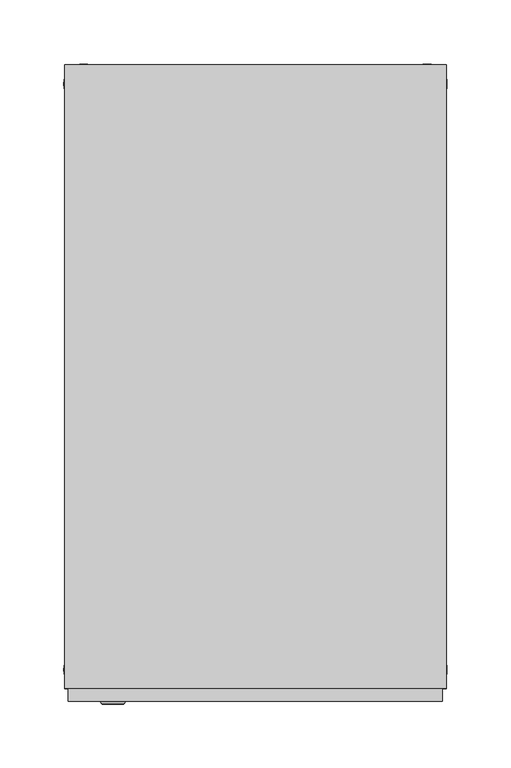
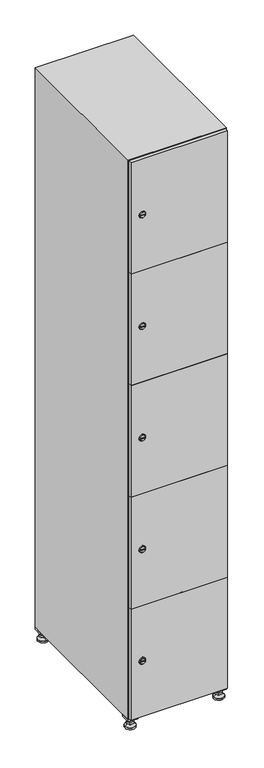
"""IFC4 building model written with IfcOpenShell, lengths in millimetres: furniture geometry."""

from ifc_helpers import new_model, si_unit, point, frame, frame_2d, origin, origin_with_axes, place, context, project, spatial, polyline, circle_curve, trimmed, segment, composite_curve, outline, extrude, faceted_brep, source, transform, mapped, element, save
from ifc_brep_helpers import plane_surface, revolved_surface, advanced_brep


def furniture_758f41c8(model_context):
    return source(origin(), model_context, "Body", "SolidModel", [
        extrude(outline(polyline([(100.0, 245.0), (100.0, 215.0), (70.0, 215.0), (70.0, 245.0), (100.0, 245.0)]), holes=[polyline([(98.0, 243.0), (72.0, 243.0), (72.0, 217.0), (98.0, 217.0), (98.0, 243.0)])]), frame((0.0, 0.0, 28.5), z_axis=(0.0, 0.0, 1.0), x_axis=(1.0, 0.0, 0.0)), (0.0, 0.0, 1.0), 6.5),
        extrude(outline(polyline([(70.0, -245.0), (70.0, -215.0), (100.0, -215.0), (100.0, -245.0), (70.0, -245.0)]), holes=[polyline([(72.0, -243.0), (98.0, -243.0), (98.0, -217.0), (72.0, -217.0), (72.0, -243.0)])]), frame((0.0, 0.0, 28.5), z_axis=(0.0, 0.0, 1.0), x_axis=(1.0, 0.0, 0.0)), (0.0, 0.0, 1.0), 6.5),
        extrude(outline(polyline([(-170.0, 245.0), (-170.0, 215.0), (-200.0, 215.0), (-200.0, 245.0), (-170.0, 245.0)]), holes=[polyline([(-172.0, 243.0), (-198.0, 243.0), (-198.0, 217.0), (-172.0, 217.0), (-172.0, 243.0)])]), frame((0.0, 0.0, 28.5), z_axis=(0.0, 0.0, 1.0), x_axis=(1.0, 0.0, 0.0)), (0.0, 0.0, 1.0), 6.5),
        extrude(outline(polyline([(-170.0, -215.0), (-170.0, -245.0), (-200.0, -245.0), (-200.0, -215.0), (-170.0, -215.0)]), holes=[polyline([(-198.0, -243.0), (-172.0, -243.0), (-172.0, -217.0), (-198.0, -217.0), (-198.0, -243.0)])]), frame((0.0, 0.0, 28.5), z_axis=(0.0, 0.0, 1.0), x_axis=(1.0, 0.0, 0.0)), (0.0, 0.0, 1.0), 6.5),
        extrude(outline(composite_curve([segment(trimmed(circle_curve(frame_2d((-185.0, 230.0)), 5.0), [point((-180.0, 230.0))], [point((-190.0, 230.0))], False, "CARTESIAN"), True, "CONTINUOUS"), segment(trimmed(circle_curve(frame_2d((-185.0, 230.0)), 5.0), [point((-190.0, 230.0))], [point((-180.0, 230.0))], False, "CARTESIAN"), True, "CONTINUOUS")], self_intersect=False)), frame((0.0, 0.0, 19.6), z_axis=(0.0, 0.0, 1.0), x_axis=(1.0, 0.0, 0.0)), (0.0, 0.0, 1.0), 15.4),
        extrude(outline(composite_curve([segment(trimmed(circle_curve(frame_2d((-185.0, -230.0)), 5.0), [point((-180.0, -230.0))], [point((-190.0, -230.0))], False, "CARTESIAN"), True, "CONTINUOUS"), segment(trimmed(circle_curve(frame_2d((-185.0, -230.0)), 5.0), [point((-190.0, -230.0))], [point((-180.0, -230.0))], False, "CARTESIAN"), True, "CONTINUOUS")], self_intersect=False)), frame((0.0, 0.0, 19.6), z_axis=(0.0, 0.0, 1.0), x_axis=(1.0, 0.0, 0.0)), (0.0, 0.0, 1.0), 15.4),
        extrude(outline(composite_curve([segment(trimmed(circle_curve(frame_2d((85.0, 230.0)), 5.0), [point((90.0, 230.0))], [point((80.0, 230.0))], False, "CARTESIAN"), True, "CONTINUOUS"), segment(trimmed(circle_curve(frame_2d((85.0, 230.0)), 5.0), [point((80.0, 230.0))], [point((90.0, 230.0))], False, "CARTESIAN"), True, "CONTINUOUS")], self_intersect=False)), frame((0.0, 0.0, 19.6), z_axis=(0.0, 0.0, 1.0), x_axis=(1.0, 0.0, 0.0)), (0.0, 0.0, 1.0), 15.4),
        extrude(outline(polyline([(73.4529946, 230.0), (79.2264973, 240.0), (90.7735027, 240.0), (96.5470054, 230.0), (90.7735027, 220.0), (79.2264973, 220.0), (73.4529946, 230.0)])), frame((0.0, 0.0, 13.6), z_axis=(0.0, 0.0, 1.0), x_axis=(1.0, 0.0, 0.0)), (0.0, 0.0, 1.0), 6.0),
        extrude(outline(composite_curve([segment(trimmed(circle_curve(frame_2d((85.0, -230.0)), 5.0), [point((90.0, -230.0))], [point((80.0, -230.0))], False, "CARTESIAN"), True, "CONTINUOUS"), segment(trimmed(circle_curve(frame_2d((85.0, -230.0)), 5.0), [point((80.0, -230.0))], [point((90.0, -230.0))], False, "CARTESIAN"), True, "CONTINUOUS")], self_intersect=False)), frame((0.0, 0.0, 19.6), z_axis=(0.0, 0.0, 1.0), x_axis=(1.0, 0.0, 0.0)), (0.0, 0.0, 1.0), 15.4),
        extrude(outline(polyline([(73.4529946, -230.0), (79.2264973, -220.0), (90.7735027, -220.0), (96.5470054, -230.0), (90.7735027, -240.0), (79.2264973, -240.0), (73.4529946, -230.0)])), frame((0.0, 0.0, 13.6), z_axis=(0.0, 0.0, 1.0), x_axis=(1.0, 0.0, 0.0)), (0.0, 0.0, 1.0), 6.0),
        extrude(outline(composite_curve([segment(trimmed(circle_curve(frame_2d((85.0, 230.0)), 5.0), [point((90.0, 230.0))], [point((80.0, 230.0))], False, "CARTESIAN"), True, "CONTINUOUS"), segment(trimmed(circle_curve(frame_2d((85.0, 230.0)), 5.0), [point((80.0, 230.0))], [point((90.0, 230.0))], False, "CARTESIAN"), True, "CONTINUOUS")], self_intersect=False)), frame((0.0, 0.0, 12.1), z_axis=(0.0, 0.0, 1.0), x_axis=(1.0, 0.0, 0.0)), (0.0, 0.0, 1.0), 1.5),
        extrude(outline(composite_curve([segment(trimmed(circle_curve(frame_2d((85.0, -230.0)), 5.0), [point((90.0, -230.0))], [point((80.0, -230.0))], False, "CARTESIAN"), True, "CONTINUOUS"), segment(trimmed(circle_curve(frame_2d((85.0, -230.0)), 5.0), [point((80.0, -230.0))], [point((90.0, -230.0))], False, "CARTESIAN"), True, "CONTINUOUS")], self_intersect=False)), frame((0.0, 0.0, 12.1), z_axis=(0.0, 0.0, 1.0), x_axis=(1.0, 0.0, 0.0)), (0.0, 0.0, 1.0), 1.5),
        extrude(outline(polyline([(-196.5470054, 230.0), (-190.7735027, 240.0), (-179.2264973, 240.0), (-173.4529946, 230.0), (-179.2264973, 220.0), (-190.7735027, 220.0), (-196.5470054, 230.0)])), frame((0.0, 0.0, 13.6), z_axis=(0.0, 0.0, 1.0), x_axis=(1.0, 0.0, 0.0)), (0.0, 0.0, 1.0), 6.0),
        extrude(outline(polyline([(-196.5470054, -230.0), (-190.7735027, -220.0), (-179.2264973, -220.0), (-173.4529946, -230.0), (-179.2264973, -240.0), (-190.7735027, -240.0), (-196.5470054, -230.0)])), frame((0.0, 0.0, 13.6), z_axis=(0.0, 0.0, 1.0), x_axis=(1.0, 0.0, 0.0)), (0.0, 0.0, 1.0), 6.0),
        extrude(outline(composite_curve([segment(trimmed(circle_curve(frame_2d((-185.0, 230.0)), 5.0), [point((-185.0, 235.0))], [point((-185.0, 225.0))], False, "CARTESIAN"), True, "CONTINUOUS"), segment(trimmed(circle_curve(frame_2d((-185.0, 230.0)), 5.0), [point((-185.0, 225.0))], [point((-185.0, 235.0))], False, "CARTESIAN"), True, "CONTINUOUS")], self_intersect=False)), frame((0.0, 0.0, 12.1), z_axis=(0.0, 0.0, 1.0), x_axis=(1.0, 0.0, 0.0)), (0.0, 0.0, 1.0), 1.5),
        extrude(outline(composite_curve([segment(trimmed(circle_curve(frame_2d((-185.0, -230.0)), 5.0), [point((-180.0, -230.0))], [point((-190.0, -230.0))], False, "CARTESIAN"), True, "CONTINUOUS"), segment(trimmed(circle_curve(frame_2d((-185.0, -230.0)), 5.0), [point((-190.0, -230.0))], [point((-180.0, -230.0))], False, "CARTESIAN"), True, "CONTINUOUS")], self_intersect=False)), frame((0.0, 0.0, 12.1), z_axis=(0.0, 0.0, 1.0), x_axis=(1.0, 0.0, 0.0)), (0.0, 0.0, 1.0), 1.5),
        extrude(outline(composite_curve([segment(trimmed(circle_curve(frame_2d((85.0, 230.0)), 15.75), [point((100.75, 230.0))], [point((69.25, 230.0))], False, "CARTESIAN"), True, "CONTINUOUS"), segment(trimmed(circle_curve(frame_2d((85.0, 230.0)), 15.75), [point((69.25, 230.0))], [point((100.75, 230.0))], False, "CARTESIAN"), True, "CONTINUOUS")], self_intersect=False)), origin_with_axes(), (0.0, 0.0, 1.0), 5.1),
        extrude(outline(composite_curve([segment(trimmed(circle_curve(frame_2d((85.0, -230.0)), 15.75), [point((85.0, -214.25))], [point((85.0, -245.75))], False, "CARTESIAN"), True, "CONTINUOUS"), segment(trimmed(circle_curve(frame_2d((85.0, -230.0)), 15.75), [point((85.0, -245.75))], [point((85.0, -214.25))], False, "CARTESIAN"), True, "CONTINUOUS")], self_intersect=False)), origin_with_axes(), (0.0, 0.0, 1.0), 5.1),
        extrude(outline(composite_curve([segment(trimmed(circle_curve(frame_2d((-185.0, -230.0)), 15.75), [point((-169.25, -230.0))], [point((-200.75, -230.0))], False, "CARTESIAN"), True, "CONTINUOUS"), segment(trimmed(circle_curve(frame_2d((-185.0, -230.0)), 15.75), [point((-200.75, -230.0))], [point((-169.25, -230.0))], False, "CARTESIAN"), True, "CONTINUOUS")], self_intersect=False)), origin_with_axes(), (0.0, 0.0, 1.0), 5.1),
        extrude(outline(composite_curve([segment(trimmed(circle_curve(frame_2d((-185.0, 230.0)), 15.75), [point((-169.25, 230.0))], [point((-200.75, 230.0))], False, "CARTESIAN"), True, "CONTINUOUS"), segment(trimmed(circle_curve(frame_2d((-185.0, 230.0)), 15.75), [point((-200.75, 230.0))], [point((-169.25, 230.0))], False, "CARTESIAN"), True, "CONTINUOUS")], self_intersect=False)), origin_with_axes(), (0.0, 0.0, 1.0), 5.1),
        advanced_brep(
        [(-185.0, 239.5, 12.1), (-185.0, 220.5, 12.1), (-185.0, 214.25, 5.1), (-185.0, 245.75, 5.1)],
        [
            (0, 1, circle_curve(frame((-185.0, 230.0, 12.1), z_axis=(0.0, 0.0, -1.0), x_axis=(0.0, 1.0, 0.0)), 9.5)),
            (1, 2),
            (2, 3, circle_curve(frame((-185.0, 230.0, 5.1), z_axis=(0.0, 0.0, 1.0), x_axis=(0.0, 1.0, 0.0)), 15.75)),
            (3, 0),
            (1, 0, circle_curve(frame((-185.0, 230.0, 12.1), z_axis=(0.0, 0.0, -1.0), x_axis=(0.0, -1.0, 0.0)), 9.5)),
            (3, 2, circle_curve(frame((-185.0, 230.0, 5.1), z_axis=(0.0, 0.0, 1.0), x_axis=(0.0, -1.0, 0.0)), 15.75)),
        ],
        [
            revolved_surface(polyline([(-185.0, 220.5, 12.099999999999998), (-185.0, 214.25, 5.099999999999998)]), (-185.0, 230.0, 22.74), (0.0, 0.0, -1.0)),
            revolved_surface(polyline([(-185.0, 239.5, 12.099999999999998), (-185.0, 245.75, 5.099999999999998)]), (-185.0, 230.0, 22.74), (0.0, 0.0, -1.0)),
            plane_surface(frame((-185.0, 230.0, 5.1), z_axis=(0.0, 0.0, -1.0), x_axis=(1.0, 0.0, 0.0))),
            plane_surface(frame((-185.0, 230.0, 12.1), z_axis=(0.0, 0.0, 1.0), x_axis=(1.0, 0.0, 0.0))),
        ],
        [
            (0, [[1, 2, 3, 4]]),
            (1, [[5, -4, 6, -2]]),
            (2, [[-3, -6]]),
            (3, [[-5, -1]]),
        ],
    ),
        advanced_brep(
        [(85.0, 239.5, 12.1), (85.0, 220.5, 12.1), (85.0, 214.25, 5.1), (85.0, 245.75, 5.1)],
        [
            (0, 1, circle_curve(frame((85.0, 230.0, 12.1), z_axis=(0.0, 0.0, -1.0), x_axis=(0.0, 1.0, 0.0)), 9.5)),
            (1, 2),
            (2, 3, circle_curve(frame((85.0, 230.0, 5.1), z_axis=(0.0, 0.0, 1.0), x_axis=(0.0, 1.0, 0.0)), 15.75)),
            (3, 0),
            (1, 0, circle_curve(frame((85.0, 230.0, 12.1), z_axis=(0.0, 0.0, -1.0), x_axis=(0.0, -1.0, 0.0)), 9.5)),
            (3, 2, circle_curve(frame((85.0, 230.0, 5.1), z_axis=(0.0, 0.0, 1.0), x_axis=(0.0, -1.0, 0.0)), 15.75)),
        ],
        [
            revolved_surface(polyline([(85.0, 220.5, 12.099999999999998), (85.0, 214.25, 5.099999999999998)]), (85.0, 230.0, 22.74), (0.0, 0.0, -1.0)),
            revolved_surface(polyline([(85.0, 239.5, 12.099999999999998), (85.0, 245.75, 5.099999999999998)]), (85.0, 230.0, 22.74), (0.0, 0.0, -1.0)),
            plane_surface(frame((85.0, 230.0, 5.1), z_axis=(0.0, 0.0, -1.0), x_axis=(1.0, 0.0, 0.0))),
            plane_surface(frame((85.0, 230.0, 12.1), z_axis=(0.0, 0.0, 1.0), x_axis=(1.0, 0.0, 0.0))),
        ],
        [
            (0, [[1, 2, 3, 4]]),
            (1, [[5, -4, 6, -2]]),
            (2, [[-3, -6]]),
            (3, [[-5, -1]]),
        ],
    ),
        advanced_brep(
        [(100.75, -230.0, 5.1), (69.25, -230.0, 5.1), (75.5, -230.0, 12.1), (94.5, -230.0, 12.1)],
        [
            (0, 1, circle_curve(frame((85.0, -230.0, 5.1), z_axis=(0.0, 0.0, 1.0), x_axis=(1.0, 0.0, 0.0)), 15.75)),
            (1, 2),
            (2, 3, circle_curve(frame((85.0, -230.0, 12.1), z_axis=(0.0, 0.0, -1.0), x_axis=(1.0, 0.0, 0.0)), 9.5)),
            (3, 0),
            (1, 0, circle_curve(frame((85.0, -230.0, 5.1), z_axis=(0.0, 0.0, 1.0), x_axis=(-1.0, 0.0, 0.0)), 15.75)),
            (3, 2, circle_curve(frame((85.0, -230.0, 12.1), z_axis=(0.0, 0.0, -1.0), x_axis=(-1.0, 0.0, 0.0)), 9.5)),
        ],
        [
            revolved_surface(polyline([(94.5, -230.0, 12.099999999999998), (100.75, -230.0, 5.099999999999998)]), (85.0, -230.0, 22.74), (0.0, 0.0, -1.0)),
            revolved_surface(polyline([(75.5, -230.0, 12.099999999999998), (69.25, -230.0, 5.099999999999998)]), (85.0, -230.0, 22.74), (0.0, 0.0, -1.0)),
            plane_surface(frame((85.0, -230.0, 12.1), z_axis=(0.0, 0.0, 1.0), x_axis=(0.0, 1.0, 0.0))),
            plane_surface(frame((85.0, -230.0, 5.1), z_axis=(0.0, 0.0, -1.0), x_axis=(0.0, 1.0, 0.0))),
        ],
        [
            (0, [[1, 2, 3, 4]]),
            (1, [[5, -4, 6, -2]]),
            (2, [[-3, -6]]),
            (3, [[-5, -1]]),
        ],
    ),
        advanced_brep(
        [(-169.25, -230.0, 5.1), (-200.75, -230.0, 5.1), (-194.5, -230.0, 12.1), (-175.5, -230.0, 12.1)],
        [
            (0, 1, circle_curve(frame((-185.0, -230.0, 5.1), z_axis=(0.0, 0.0, 1.0), x_axis=(1.0, 0.0, 0.0)), 15.75)),
            (1, 2),
            (2, 3, circle_curve(frame((-185.0, -230.0, 12.1), z_axis=(0.0, 0.0, -1.0), x_axis=(1.0, 0.0, 0.0)), 9.5)),
            (3, 0),
            (1, 0, circle_curve(frame((-185.0, -230.0, 5.1), z_axis=(0.0, 0.0, 1.0), x_axis=(-1.0, 0.0, 0.0)), 15.75)),
            (3, 2, circle_curve(frame((-185.0, -230.0, 12.1), z_axis=(0.0, 0.0, -1.0), x_axis=(-1.0, 0.0, 0.0)), 9.5)),
        ],
        [
            revolved_surface(polyline([(-175.5, -230.0, 12.099999999999998), (-169.25, -230.0, 5.099999999999998)]), (-185.0, -230.0, 22.74), (0.0, 0.0, -1.0)),
            revolved_surface(polyline([(-194.5, -230.0, 12.099999999999998), (-200.75, -230.0, 5.099999999999998)]), (-185.0, -230.0, 22.74), (0.0, 0.0, -1.0)),
            plane_surface(frame((-185.0, -230.0, 12.1), z_axis=(0.0, 0.0, 1.0), x_axis=(0.0, 1.0, 0.0))),
            plane_surface(frame((-185.0, -230.0, 5.1), z_axis=(0.0, 0.0, -1.0), x_axis=(0.0, 1.0, 0.0))),
        ],
        [
            (0, [[1, 2, 3, 4]]),
            (1, [[5, -4, 6, -2]]),
            (2, [[-3, -6]]),
            (3, [[-5, -1]]),
        ],
    ),
        extrude(outline(composite_curve([segment(trimmed(circle_curve(frame_2d((217.4, -188.7989466)), 7.0), [point((224.4, -188.7989466))], [point((210.4, -188.7989466))], False, "CARTESIAN"), True, "CONTINUOUS"), segment(polyline([(210.4, -188.7989466), (210.4, -160.7989466)]), True, "CONTINUOUS"), segment(trimmed(circle_curve(frame_2d((217.4, -160.7989466)), 7.0), [point((210.4, -160.7989466))], [point((224.4, -160.7989466))], False, "CARTESIAN"), True, "CONTINUOUS"), segment(polyline([(224.4, -160.7989466), (224.4, -188.7989466)]), True, "CONTINUOUS")], self_intersect=False)), frame((0.0, -245.0, 0.0), z_axis=(0.0, 1.0, 0.0), x_axis=(0.0, 0.0, 1.0)), (0.0, 0.0, 1.0), 2.0),
        advanced_brep(
        [(-153.5, -257.2, 217.4), (-170.5, -257.2, 217.4), (-167.0, -257.2, 216.15), (-167.0, -257.2, 218.65), (-157.0, -257.2, 218.65), (-157.0, -257.2, 216.15), (-151.5, -255.0, 217.4), (-172.5, -255.0, 217.4), (-167.0, -255.0, 218.65), (-167.0, -255.0, 216.15), (-157.0, -255.0, 216.15), (-157.0, -255.0, 218.65)],
        [
            (0, 1, circle_curve(frame((-162.0, -257.2, 217.4), z_axis=(0.0, -1.0, 0.0), x_axis=(1.0, 0.0, 0.0)), 8.5)),
            (1, 0, circle_curve(frame((-162.0, -257.2, 217.4), z_axis=(0.0, -1.0, 0.0), x_axis=(-1.0, 0.0, 0.0)), 8.5)),
            (2, 3),
            (3, 4),
            (4, 5),
            (5, 2),
            (6, 7, circle_curve(frame((-162.0, -255.0, 217.4), z_axis=(0.0, 1.0, 0.0), x_axis=(-1.0, 0.0, 0.0)), 10.5)),
            (7, 6, circle_curve(frame((-162.0, -255.0, 217.4), z_axis=(0.0, 1.0, 0.0), x_axis=(1.0, 0.0, 0.0)), 10.5)),
            (8, 9),
            (9, 10),
            (10, 11),
            (11, 8),
            (0, 6),
            (7, 1),
            (8, 3),
            (2, 9),
            (11, 4),
            (10, 5),
        ],
        [
            plane_surface(frame((-162.0, -257.2, 217.4), z_axis=(0.0, -1.0, 0.0), x_axis=(0.0, 0.0, 1.0))),
            plane_surface(frame((-162.0, -255.0, 217.4), z_axis=(0.0, 1.0, 0.0), x_axis=(0.0, 0.0, 1.0))),
            revolved_surface(polyline([(-153.5, -257.2, 217.4), (-151.5, -255.0, 217.4)]), (-162.0, -266.55, 217.4), (0.0, 1.0, 0.0)),
            revolved_surface(polyline([(-170.5, -257.2, 217.4), (-172.5, -255.0, 217.4)]), (-162.0, -266.55, 217.4), (0.0, 1.0, 0.0)),
            plane_surface(frame((-167.0, -255.0, 216.15), z_axis=(1.0, 0.0, 0.0), x_axis=(0.0, -1.0, 0.0))),
            plane_surface(frame((-167.0, -255.0, 218.65), z_axis=(0.0, 0.0, -1.0), x_axis=(0.0, -1.0, 0.0))),
            plane_surface(frame((-157.0, -255.0, 218.65), z_axis=(-1.0, 0.0, 0.0), x_axis=(0.0, -1.0, 0.0))),
            plane_surface(frame((-157.0, -255.0, 216.15), z_axis=(0.0, 0.0, 1.0), x_axis=(0.0, -1.0, 0.0))),
        ],
        [
            (0, [[1, 2], [3, 4, 5, 6]]),
            (1, [[7, 8], [9, 10, 11, 12]]),
            (2, [[-1, 13, -8, 14]]),
            (3, [[-2, -14, -7, -13]]),
            (4, [[15, -3, 16, -9]]),
            (5, [[-15, -12, 17, -4]]),
            (6, [[-17, -11, 18, -5]]),
            (7, [[-16, -6, -18, -10]]),
        ],
    ),
        extrude(outline(composite_curve([segment(trimmed(circle_curve(frame_2d((576.2, -188.7989466)), 7.0), [point((583.2, -188.7989466))], [point((569.2, -188.7989466))], False, "CARTESIAN"), True, "CONTINUOUS"), segment(polyline([(569.2, -188.7989466), (569.2, -160.7989466)]), True, "CONTINUOUS"), segment(trimmed(circle_curve(frame_2d((576.2, -160.7989466)), 7.0), [point((569.2, -160.7989466))], [point((583.2, -160.7989466))], False, "CARTESIAN"), True, "CONTINUOUS"), segment(polyline([(583.2, -160.7989466), (583.2, -188.7989466)]), True, "CONTINUOUS")], self_intersect=False)), frame((0.0, -245.0, 0.0), z_axis=(0.0, 1.0, 0.0), x_axis=(0.0, 0.0, 1.0)), (0.0, 0.0, 1.0), 2.0),
        advanced_brep(
        [(-153.5, -257.2, 576.2), (-170.5, -257.2, 576.2), (-167.0, -257.2, 574.95), (-167.0, -257.2, 577.45), (-157.0, -257.2, 577.45), (-157.0, -257.2, 574.95), (-151.5, -255.0, 576.2), (-172.5, -255.0, 576.2), (-167.0, -255.0, 577.45), (-167.0, -255.0, 574.95), (-157.0, -255.0, 574.95), (-157.0, -255.0, 577.45)],
        [
            (0, 1, circle_curve(frame((-162.0, -257.2, 576.2), z_axis=(0.0, -1.0, 0.0), x_axis=(1.0, 0.0, 0.0)), 8.5)),
            (1, 0, circle_curve(frame((-162.0, -257.2, 576.2), z_axis=(0.0, -1.0, 0.0), x_axis=(-1.0, 0.0, 0.0)), 8.5)),
            (2, 3),
            (3, 4),
            (4, 5),
            (5, 2),
            (6, 7, circle_curve(frame((-162.0, -255.0, 576.2), z_axis=(0.0, 1.0, 0.0), x_axis=(-1.0, 0.0, 0.0)), 10.5)),
            (7, 6, circle_curve(frame((-162.0, -255.0, 576.2), z_axis=(0.0, 1.0, 0.0), x_axis=(1.0, 0.0, 0.0)), 10.5)),
            (8, 9),
            (9, 10),
            (10, 11),
            (11, 8),
            (0, 6),
            (7, 1),
            (8, 3),
            (2, 9),
            (11, 4),
            (10, 5),
        ],
        [
            plane_surface(frame((-162.0, -257.2, 576.2), z_axis=(0.0, -1.0, 0.0), x_axis=(0.0, 0.0, 1.0))),
            plane_surface(frame((-162.0, -255.0, 576.2), z_axis=(0.0, 1.0, 0.0), x_axis=(0.0, 0.0, 1.0))),
            revolved_surface(polyline([(-153.5, -257.2, 576.2), (-151.5, -255.0, 576.2)]), (-162.0, -266.55, 576.2), (0.0, 1.0, 0.0)),
            revolved_surface(polyline([(-170.5, -257.2, 576.2), (-172.5, -255.0, 576.2)]), (-162.0, -266.55, 576.2), (0.0, 1.0, 0.0)),
            plane_surface(frame((-167.0, -255.0, 574.95), z_axis=(1.0, 0.0, 0.0), x_axis=(0.0, -1.0, 0.0))),
            plane_surface(frame((-167.0, -255.0, 577.45), z_axis=(0.0, 0.0, -1.0), x_axis=(0.0, -1.0, 0.0))),
            plane_surface(frame((-157.0, -255.0, 577.45), z_axis=(-1.0, 0.0, 0.0), x_axis=(0.0, -1.0, 0.0))),
            plane_surface(frame((-157.0, -255.0, 574.95), z_axis=(0.0, 0.0, 1.0), x_axis=(0.0, -1.0, 0.0))),
        ],
        [
            (0, [[1, 2], [3, 4, 5, 6]]),
            (1, [[7, 8], [9, 10, 11, 12]]),
            (2, [[-1, 13, -8, 14]]),
            (3, [[-2, -14, -7, -13]]),
            (4, [[15, -3, 16, -9]]),
            (5, [[-15, -12, 17, -4]]),
            (6, [[-17, -11, 18, -5]]),
            (7, [[-16, -6, -18, -10]]),
        ],
    ),
        extrude(outline(composite_curve([segment(trimmed(circle_curve(frame_2d((935.0, -188.7989466)), 7.0), [point((942.0, -188.7989466))], [point((928.0, -188.7989466))], False, "CARTESIAN"), True, "CONTINUOUS"), segment(polyline([(928.0, -188.7989466), (928.0, -160.7989466)]), True, "CONTINUOUS"), segment(trimmed(circle_curve(frame_2d((935.0, -160.7989466)), 7.0), [point((928.0, -160.7989466))], [point((942.0, -160.7989466))], False, "CARTESIAN"), True, "CONTINUOUS"), segment(polyline([(942.0, -160.7989466), (942.0, -188.7989466)]), True, "CONTINUOUS")], self_intersect=False)), frame((0.0, -245.0, 0.0), z_axis=(0.0, 1.0, 0.0), x_axis=(0.0, 0.0, 1.0)), (0.0, 0.0, 1.0), 2.0),
        advanced_brep(
        [(-153.5, -257.2, 935.0), (-170.5, -257.2, 935.0), (-167.0, -257.2, 933.75), (-167.0, -257.2, 936.25), (-157.0, -257.2, 936.25), (-157.0, -257.2, 933.75), (-151.5, -255.0, 935.0), (-172.5, -255.0, 935.0), (-167.0, -255.0, 936.25), (-167.0, -255.0, 933.75), (-157.0, -255.0, 933.75), (-157.0, -255.0, 936.25)],
        [
            (0, 1, circle_curve(frame((-162.0, -257.2, 935.0), z_axis=(0.0, -1.0, 0.0), x_axis=(1.0, 0.0, 0.0)), 8.5)),
            (1, 0, circle_curve(frame((-162.0, -257.2, 935.0), z_axis=(0.0, -1.0, 0.0), x_axis=(-1.0, 0.0, 0.0)), 8.5)),
            (2, 3),
            (3, 4),
            (4, 5),
            (5, 2),
            (6, 7, circle_curve(frame((-162.0, -255.0, 935.0), z_axis=(0.0, 1.0, 0.0), x_axis=(-1.0, 0.0, 0.0)), 10.5)),
            (7, 6, circle_curve(frame((-162.0, -255.0, 935.0), z_axis=(0.0, 1.0, 0.0), x_axis=(1.0, 0.0, 0.0)), 10.5)),
            (8, 9),
            (9, 10),
            (10, 11),
            (11, 8),
            (0, 6),
            (7, 1),
            (8, 3),
            (2, 9),
            (11, 4),
            (10, 5),
        ],
        [
            plane_surface(frame((-162.0, -257.2, 935.0), z_axis=(0.0, -1.0, 0.0), x_axis=(0.0, 0.0, 1.0))),
            plane_surface(frame((-162.0, -255.0, 935.0), z_axis=(0.0, 1.0, 0.0), x_axis=(0.0, 0.0, 1.0))),
            revolved_surface(polyline([(-153.5, -257.2, 935.0), (-151.5, -255.0, 935.0)]), (-162.0, -266.55, 935.0), (0.0, 1.0, 0.0)),
            revolved_surface(polyline([(-170.5, -257.2, 935.0), (-172.5, -255.0, 935.0)]), (-162.0, -266.55, 935.0), (0.0, 1.0, 0.0)),
            plane_surface(frame((-167.0, -255.0, 933.75), z_axis=(1.0, 0.0, 0.0), x_axis=(0.0, -1.0, 0.0))),
            plane_surface(frame((-167.0, -255.0, 936.25), z_axis=(0.0, 0.0, -1.0), x_axis=(0.0, -1.0, 0.0))),
            plane_surface(frame((-157.0, -255.0, 936.25), z_axis=(-1.0, 0.0, 0.0), x_axis=(0.0, -1.0, 0.0))),
            plane_surface(frame((-157.0, -255.0, 933.75), z_axis=(0.0, 0.0, 1.0), x_axis=(0.0, -1.0, 0.0))),
        ],
        [
            (0, [[1, 2], [3, 4, 5, 6]]),
            (1, [[7, 8], [9, 10, 11, 12]]),
            (2, [[-1, 13, -8, 14]]),
            (3, [[-2, -14, -7, -13]]),
            (4, [[15, -3, 16, -9]]),
            (5, [[-15, -12, 17, -4]]),
            (6, [[-17, -11, 18, -5]]),
            (7, [[-16, -6, -18, -10]]),
        ],
    ),
        extrude(outline(composite_curve([segment(trimmed(circle_curve(frame_2d((1293.8, -188.7989466)), 7.0), [point((1300.8, -188.7989466))], [point((1286.8, -188.7989466))], False, "CARTESIAN"), True, "CONTINUOUS"), segment(polyline([(1286.8, -188.7989466), (1286.8, -160.7989466)]), True, "CONTINUOUS"), segment(trimmed(circle_curve(frame_2d((1293.8, -160.7989466)), 7.0), [point((1286.8, -160.7989466))], [point((1300.8, -160.7989466))], False, "CARTESIAN"), True, "CONTINUOUS"), segment(polyline([(1300.8, -160.7989466), (1300.8, -188.7989466)]), True, "CONTINUOUS")], self_intersect=False)), frame((0.0, -245.0, 0.0), z_axis=(0.0, 1.0, 0.0), x_axis=(0.0, 0.0, 1.0)), (0.0, 0.0, 1.0), 2.0),
        advanced_brep(
        [(-153.5, -257.2, 1293.8), (-170.5, -257.2, 1293.8), (-167.0, -257.2, 1292.55), (-167.0, -257.2, 1295.05), (-157.0, -257.2, 1295.05), (-157.0, -257.2, 1292.55), (-151.5, -255.0, 1293.8), (-172.5, -255.0, 1293.8), (-167.0, -255.0, 1295.05), (-167.0, -255.0, 1292.55), (-157.0, -255.0, 1292.55), (-157.0, -255.0, 1295.05)],
        [
            (0, 1, circle_curve(frame((-162.0, -257.2, 1293.8), z_axis=(0.0, -1.0, 0.0), x_axis=(1.0, 0.0, 0.0)), 8.5)),
            (1, 0, circle_curve(frame((-162.0, -257.2, 1293.8), z_axis=(0.0, -1.0, 0.0), x_axis=(-1.0, 0.0, 0.0)), 8.5)),
            (2, 3),
            (3, 4),
            (4, 5),
            (5, 2),
            (6, 7, circle_curve(frame((-162.0, -255.0, 1293.8), z_axis=(0.0, 1.0, 0.0), x_axis=(-1.0, 0.0, 0.0)), 10.5)),
            (7, 6, circle_curve(frame((-162.0, -255.0, 1293.8), z_axis=(0.0, 1.0, 0.0), x_axis=(1.0, 0.0, 0.0)), 10.5)),
            (8, 9),
            (9, 10),
            (10, 11),
            (11, 8),
            (0, 6),
            (7, 1),
            (8, 3),
            (2, 9),
            (11, 4),
            (10, 5),
        ],
        [
            plane_surface(frame((-162.0, -257.2, 1293.8), z_axis=(0.0, -1.0, 0.0), x_axis=(0.0, 0.0, 1.0))),
            plane_surface(frame((-162.0, -255.0, 1293.8), z_axis=(0.0, 1.0, 0.0), x_axis=(0.0, 0.0, 1.0))),
            revolved_surface(polyline([(-153.5, -257.2, 1293.8), (-151.5, -255.0, 1293.8)]), (-162.0, -266.55, 1293.8), (0.0, 1.0, 0.0)),
            revolved_surface(polyline([(-170.5, -257.2, 1293.8), (-172.5, -255.0, 1293.8)]), (-162.0, -266.55, 1293.8), (0.0, 1.0, 0.0)),
            plane_surface(frame((-167.0, -255.0, 1292.55), z_axis=(1.0, 0.0, 0.0), x_axis=(0.0, -1.0, 0.0))),
            plane_surface(frame((-167.0, -255.0, 1295.05), z_axis=(0.0, 0.0, -1.0), x_axis=(0.0, -1.0, 0.0))),
            plane_surface(frame((-157.0, -255.0, 1295.05), z_axis=(-1.0, 0.0, 0.0), x_axis=(0.0, -1.0, 0.0))),
            plane_surface(frame((-157.0, -255.0, 1292.55), z_axis=(0.0, 0.0, 1.0), x_axis=(0.0, -1.0, 0.0))),
        ],
        [
            (0, [[1, 2], [3, 4, 5, 6]]),
            (1, [[7, 8], [9, 10, 11, 12]]),
            (2, [[-1, 13, -8, 14]]),
            (3, [[-2, -14, -7, -13]]),
            (4, [[15, -3, 16, -9]]),
            (5, [[-15, -12, 17, -4]]),
            (6, [[-17, -11, 18, -5]]),
            (7, [[-16, -6, -18, -10]]),
        ],
    ),
        extrude(outline(composite_curve([segment(trimmed(circle_curve(frame_2d((1652.6, -188.7989466)), 7.0), [point((1659.6, -188.7989466))], [point((1645.6, -188.7989466))], False, "CARTESIAN"), True, "CONTINUOUS"), segment(polyline([(1645.6, -188.7989466), (1645.6, -160.7989466)]), True, "CONTINUOUS"), segment(trimmed(circle_curve(frame_2d((1652.6, -160.7989466)), 7.0), [point((1645.6, -160.7989466))], [point((1659.6, -160.7989466))], False, "CARTESIAN"), True, "CONTINUOUS"), segment(polyline([(1659.6, -160.7989466), (1659.6, -188.7989466)]), True, "CONTINUOUS")], self_intersect=False)), frame((0.0, -245.0, 0.0), z_axis=(0.0, 1.0, 0.0), x_axis=(0.0, 0.0, 1.0)), (0.0, 0.0, 1.0), 2.0),
        advanced_brep(
        [(-153.5, -257.2, 1652.6), (-170.5, -257.2, 1652.6), (-167.0, -257.2, 1651.35), (-167.0, -257.2, 1653.85), (-157.0, -257.2, 1653.85), (-157.0, -257.2, 1651.35), (-151.5, -255.0, 1652.6), (-172.5, -255.0, 1652.6), (-167.0, -255.0, 1653.85), (-167.0, -255.0, 1651.35), (-157.0, -255.0, 1651.35), (-157.0, -255.0, 1653.85)],
        [
            (0, 1, circle_curve(frame((-162.0, -257.2, 1652.6), z_axis=(0.0, -1.0, 0.0), x_axis=(1.0, 0.0, 0.0)), 8.5)),
            (1, 0, circle_curve(frame((-162.0, -257.2, 1652.6), z_axis=(0.0, -1.0, 0.0), x_axis=(-1.0, 0.0, 0.0)), 8.5)),
            (2, 3),
            (3, 4),
            (4, 5),
            (5, 2),
            (6, 7, circle_curve(frame((-162.0, -255.0, 1652.6), z_axis=(0.0, 1.0, 0.0), x_axis=(-1.0, 0.0, 0.0)), 10.5)),
            (7, 6, circle_curve(frame((-162.0, -255.0, 1652.6), z_axis=(0.0, 1.0, 0.0), x_axis=(1.0, 0.0, 0.0)), 10.5)),
            (8, 9),
            (9, 10),
            (10, 11),
            (11, 8),
            (0, 6),
            (7, 1),
            (8, 3),
            (2, 9),
            (11, 4),
            (10, 5),
        ],
        [
            plane_surface(frame((-162.0, -257.2, 1652.6), z_axis=(0.0, -1.0, 0.0), x_axis=(0.0, 0.0, 1.0))),
            plane_surface(frame((-162.0, -255.0, 1652.6), z_axis=(0.0, 1.0, 0.0), x_axis=(0.0, 0.0, 1.0))),
            revolved_surface(polyline([(-153.5, -257.2, 1652.6), (-151.5, -255.0, 1652.6)]), (-162.0, -266.55, 1652.6), (0.0, 1.0, 0.0)),
            revolved_surface(polyline([(-170.5, -257.2, 1652.6), (-172.5, -255.0, 1652.6)]), (-162.0, -266.55, 1652.6), (0.0, 1.0, 0.0)),
            plane_surface(frame((-167.0, -255.0, 1651.35), z_axis=(1.0, 0.0, 0.0), x_axis=(0.0, -1.0, 0.0))),
            plane_surface(frame((-167.0, -255.0, 1653.85), z_axis=(0.0, 0.0, -1.0), x_axis=(0.0, -1.0, 0.0))),
            plane_surface(frame((-157.0, -255.0, 1653.85), z_axis=(-1.0, 0.0, 0.0), x_axis=(0.0, -1.0, 0.0))),
            plane_surface(frame((-157.0, -255.0, 1651.35), z_axis=(0.0, 0.0, 1.0), x_axis=(0.0, -1.0, 0.0))),
        ],
        [
            (0, [[1, 2], [3, 4, 5, 6]]),
            (1, [[7, 8], [9, 10, 11, 12]]),
            (2, [[-1, 13, -8, 14]]),
            (3, [[-2, -14, -7, -13]]),
            (4, [[15, -3, 16, -9]]),
            (5, [[-15, -12, 17, -4]]),
            (6, [[-17, -11, 18, -5]]),
            (7, [[-16, -6, -18, -10]]),
        ],
    ),
        extrude(outline(polyline([(97.0, -245.0), (97.0, -255.0), (-197.0, -255.0), (-197.0, -245.0), (97.0, -245.0)])), frame((0.0, 0.0, 755.1), z_axis=(0.0, 0.0, 1.0), x_axis=(1.0, 0.0, 0.0)), (0.0, 0.0, 1.0), 359.8),
        extrude(outline(polyline([(97.0, -245.0), (97.0, -255.0), (-197.0, -255.0), (-197.0, -245.0), (97.0, -245.0)])), frame((0.0, 0.0, 396.3), z_axis=(0.0, 0.0, 1.0), x_axis=(1.0, 0.0, 0.0)), (0.0, 0.0, 1.0), 359.8),
        extrude(outline(polyline([(97.0, -245.0), (97.0, -255.0), (-197.0, -255.0), (-197.0, -245.0), (97.0, -245.0)])), frame((0.0, 0.0, 1113.9), z_axis=(0.0, 0.0, 1.0), x_axis=(1.0, 0.0, 0.0)), (0.0, 0.0, 1.0), 358.8),
        extrude(outline(polyline([(-197.0, -255.0), (-197.0, -245.0), (97.0, -245.0), (97.0, -255.0), (-197.0, -255.0)])), frame((0.0, 0.0, 1473.7), z_axis=(0.0, 0.0, 1.0), x_axis=(1.0, 0.0, 0.0)), (0.0, 0.0, 1.0), 358.3),
        extrude(outline(polyline([(97.0, -245.0), (97.0, -255.0), (-197.0, -255.0), (-197.0, -245.0), (97.0, -245.0)])), frame((0.0, 0.0, 38.0), z_axis=(0.0, 0.0, 1.0), x_axis=(1.0, 0.0, 0.0)), (0.0, 0.0, 1.0), 359.3),
        extrude(outline(polyline([(79.6, 242.0), (79.6, -235.0), (-179.6, -235.0), (-179.6, 242.0), (79.6, 242.0)])), frame((0.0, 0.0, 1446.68), z_axis=(0.0, 0.0, 1.0), x_axis=(1.0, 0.0, 0.0)), (0.0, 0.0, 1.0), 20.4),
        extrude(outline(polyline([(79.6, 242.0), (79.6, -235.0), (-179.6, -235.0), (-179.6, 242.0), (79.6, 242.0)])), frame((0.0, 0.0, 1098.76), z_axis=(0.0, 0.0, 1.0), x_axis=(1.0, 0.0, 0.0)), (0.0, 0.0, 1.0), 20.4),
        extrude(outline(polyline([(79.6, 242.0), (79.6, -235.0), (-179.6, -235.0), (-179.6, 242.0), (79.6, 242.0)])), frame((0.0, 0.0, 750.84), z_axis=(0.0, 0.0, 1.0), x_axis=(1.0, 0.0, 0.0)), (0.0, 0.0, 1.0), 20.4),
        extrude(outline(polyline([(-179.6, 242.0), (79.6, 242.0), (79.6, -235.0), (-179.6, -235.0), (-179.6, 242.0)])), frame((0.0, 0.0, 402.92), z_axis=(0.0, 0.0, 1.0), x_axis=(1.0, 0.0, 0.0)), (0.0, 0.0, 1.0), 20.4),
        faceted_brep([(100.0, -245.0, 35.0), (100.0, -245.0, 1835.0), (-200.0, -245.0, 1835.0), (-200.0, -245.0, 35.0), (79.6, -245.0, 1804.8), (79.6, -245.0, 65.2), (-179.6, -245.0, 65.2), (-179.6, -245.0, 1804.8), (100.0, 245.0, 35.0), (-200.0, 245.0, 35.0), (100.0, 245.0, 1835.0), (-200.0, 245.0, 1835.0), (79.6, 242.0, 1804.8), (79.6, 242.0, 65.2), (-200.0, 245.0, 1804.8), (-179.6, 242.0, 1804.8), (-179.6, 242.0, 65.2)], [[[0, 1, 2, 3], [4, 5, 6, 7]], [[8, 0, 3, 9]], [[1, 0, 8, 10]], [[1, 10, 11, 2]], [[4, 12, 13, 5]], [[9, 3, 2, 11, 14]], [[10, 8, 9, 14, 11]], [[12, 15, 16, 13]], [[15, 7, 6, 16]], [[4, 7, 15, 12]], [[6, 5, 13, 16]]]),
    ])


if __name__ == "__main__":
    model = new_model("IFC4")
    model_context = context("Model", 3, world=origin())
    ifc_project = project(units=[si_unit("LENGTHUNIT", "METRE", prefix="MILLI")], contexts=[model_context])
    site = spatial("IfcSite", under=ifc_project)
    building = spatial("IfcBuilding", under=site)
    placement = place(None, origin())
    furniture_shape = furniture_758f41c8(model_context)
    element("IfcFurniture", 1, at=placement, inside=building, context=model_context, shape_type="MappedRepresentation", body=[
        mapped(furniture_shape, transform((0.0, 0.0, 0.0), x_axis=(1.0, 0.0, 0.0), y_axis=(0.0, 1.0, 0.0), z_axis=(0.0, 0.0, 1.0))),
    ])
    save(model, "model.ifc")
